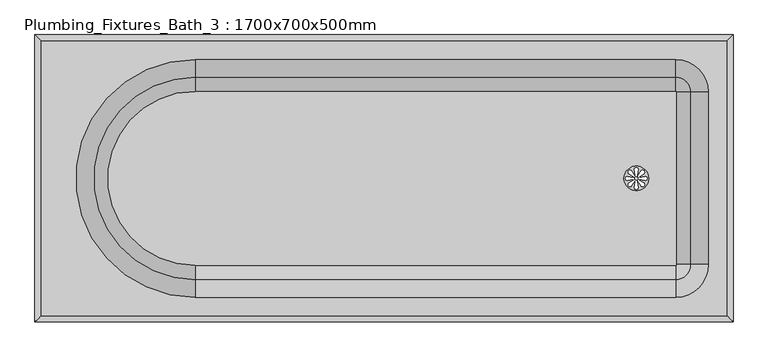
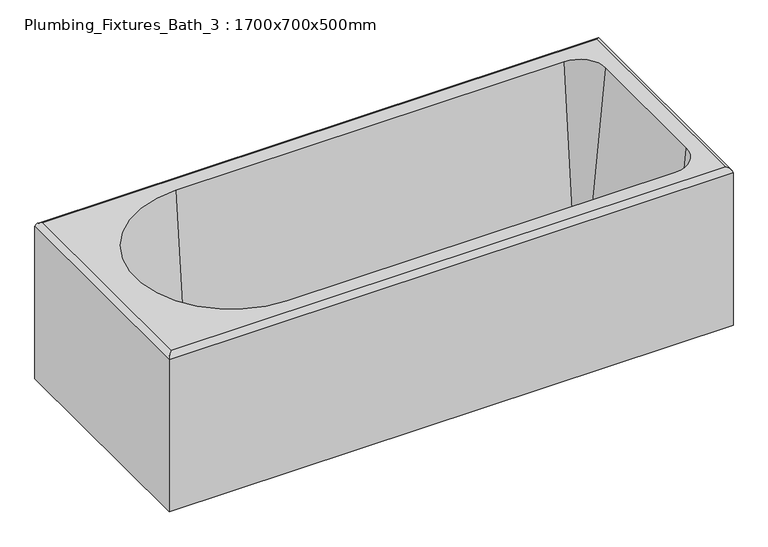
"""IFC4 building model written with IfcOpenShell, lengths in millimetres: flow terminal geometry, Plumbing_Fixtures_Bath_3 : 1700x700x500mm."""

from ifc_helpers import new_model, si_unit, point, frame, frame_2d, origin, place, context, project, spatial, polyline, circle_curve, ellipse_curve, trimmed, segment, composite_curve, outline, extrude, source, transform, mapped, element, save
from ifc_brep_helpers import plane_surface, cylinder_surface, revolved_surface, advanced_brep


def plumbing_fixtures_bath_3_1700x700x500mm_0418d636(model_context):
    return source(origin(), model_context, "Body", "SolidModel", [
        extrude(outline(composite_curve([segment(trimmed(circle_curve(frame_2d((614.3337909, 0.0)), 30.0), [point((584.3337909, 0.0))], [point((644.3337909, 0.0))], False, "CARTESIAN"), True, "CONTINUOUS"), segment(trimmed(circle_curve(frame_2d((614.3337909, 0.0)), 30.0), [point((644.3337909, 0.0))], [point((584.3337909, 0.0))], False, "CARTESIAN"), True, "CONTINUOUS")], self_intersect=False), holes=[composite_curve([segment(polyline([(616.2899925, 7.2242832), (619.3164563, 21.5301417)]), True, "CONTINUOUS"), segment(trimmed(circle_curve(frame_2d((614.3337909, 21.5301417)), 4.9826653), [point((619.3164563, 21.5301417))], [point((609.3511256, 21.5301417))], True, "CARTESIAN"), True, "CONTINUOUS"), segment(polyline([(609.3511256, 21.5301417), (612.1902324, 7.2242832)]), True, "CONTINUOUS"), segment(trimmed(circle_curve(frame_2d((614.2401124, 7.2242832)), 2.0498801), [point((612.1902324, 7.2242832))], [point((616.2899925, 7.2242832))], True, "CARTESIAN"), True, "CONTINUOUS")], self_intersect=False), composite_curve([segment(trimmed(circle_curve(frame_2d((614.2401124, -7.2242832)), 2.0498801), [point((616.2899925, -7.2242832))], [point((612.1902324, -7.2242832))], True, "CARTESIAN"), True, "CONTINUOUS"), segment(polyline([(612.1902324, -7.2242832), (609.3511256, -21.5301417)]), True, "CONTINUOUS"), segment(trimmed(circle_curve(frame_2d((614.3337909, -21.5301417)), 4.9826653), [point((609.3511256, -21.5301417))], [point((619.3164563, -21.5301417))], True, "CARTESIAN"), True, "CONTINUOUS"), segment(polyline([(619.3164563, -21.5301417), (616.2899925, -7.2242832)]), True, "CONTINUOUS")], self_intersect=False), composite_curve([segment(polyline([(607.1095077, 1.9562016), (592.8036493, 4.9826653)]), True, "CONTINUOUS"), segment(trimmed(circle_curve(frame_2d((592.8036493, 0.0)), 4.9826653), [point((592.8036493, 4.9826653))], [point((592.8036493, -4.9826653))], True, "CARTESIAN"), True, "CONTINUOUS"), segment(polyline([(592.8036493, -4.9826653), (607.1095077, -2.1435586)]), True, "CONTINUOUS"), segment(trimmed(circle_curve(frame_2d((607.1095077, -0.0936785)), 2.0498801), [point((607.1095077, -2.1435586))], [point((607.1095077, 1.9562016))], True, "CARTESIAN"), True, "CONTINUOUS")], self_intersect=False), composite_curve([segment(trimmed(circle_curve(frame_2d((621.5580742, -0.0936785)), 2.0498801), [point((621.5580742, 1.9562016))], [point((621.5580742, -2.1435586))], True, "CARTESIAN"), True, "CONTINUOUS"), segment(polyline([(621.5580742, -2.1435586), (635.8639326, -4.9826653)]), True, "CONTINUOUS"), segment(trimmed(circle_curve(frame_2d((635.8639326, 0.0)), 4.9826653), [point((635.8639326, -4.9826653))], [point((635.8639326, 4.9826653))], True, "CARTESIAN"), True, "CONTINUOUS"), segment(polyline([(635.8639326, 4.9826653), (621.5580742, 1.9562016)]), True, "CONTINUOUS")], self_intersect=False), composite_curve([segment(polyline([(610.6086947, 6.4915831), (602.6329582, 18.7473856)]), True, "CONTINUOUS"), segment(trimmed(circle_curve(frame_2d((599.1096818, 15.2241092)), 4.9826653), [point((602.6329582, 18.7473856))], [point((595.5864053, 11.7008327))], True, "CARTESIAN"), True, "CONTINUOUS"), segment(polyline([(595.5864053, 11.7008327), (607.7097265, 3.5926149)]), True, "CONTINUOUS"), segment(trimmed(circle_curve(frame_2d((609.1592106, 5.042099)), 2.0498801), [point((607.7097265, 3.5926149))], [point((610.6086947, 6.4915831))], True, "CARTESIAN"), True, "CONTINUOUS")], self_intersect=False), composite_curve([segment(trimmed(circle_curve(frame_2d((619.3758899, -5.1745804)), 2.0498801), [point((620.825374, -3.7250963))], [point((617.9264058, -6.6240645))], True, "CARTESIAN"), True, "CONTINUOUS"), segment(polyline([(617.9264058, -6.6240645), (626.0346237, -18.7473856)]), True, "CONTINUOUS"), segment(trimmed(circle_curve(frame_2d((629.5579001, -15.2241092)), 4.9826653), [point((626.0346237, -18.7473856))], [point((633.0811765, -11.7008327))], True, "CARTESIAN"), True, "CONTINUOUS"), segment(polyline([(633.0811765, -11.7008327), (620.825374, -3.7250963)]), True, "CONTINUOUS")], self_intersect=False), composite_curve([segment(polyline([(607.8422079, -3.7250963), (595.5864053, -11.7008327)]), True, "CONTINUOUS"), segment(trimmed(circle_curve(frame_2d((599.1096818, -15.2241092)), 4.9826653), [point((595.5864053, -11.7008327))], [point((602.6329582, -18.7473856))], True, "CARTESIAN"), True, "CONTINUOUS"), segment(polyline([(602.6329582, -18.7473856), (610.7411761, -6.6240645)]), True, "CONTINUOUS"), segment(trimmed(circle_curve(frame_2d((609.291692, -5.1745804)), 2.0498801), [point((610.7411761, -6.6240645))], [point((607.8422079, -3.7250963))], True, "CARTESIAN"), True, "CONTINUOUS")], self_intersect=False), composite_curve([segment(trimmed(circle_curve(frame_2d((619.5083713, 5.042099)), 2.0498801), [point((618.0588872, 6.4915831))], [point((620.9578554, 3.5926149))], True, "CARTESIAN"), True, "CONTINUOUS"), segment(polyline([(620.9578554, 3.5926149), (633.0811765, 11.7008327)]), True, "CONTINUOUS"), segment(trimmed(circle_curve(frame_2d((629.5579001, 15.2241092)), 4.9826653), [point((633.0811765, 11.7008327))], [point((626.0346237, 18.7473856))], True, "CARTESIAN"), True, "CONTINUOUS"), segment(polyline([(626.0346237, 18.7473856), (618.0588872, 6.4915831)]), True, "CONTINUOUS")], self_intersect=False)]), frame((0.0, 0.0, 10.394083), z_axis=(0.0, 0.0, 1.0), x_axis=(1.0, 0.0, 0.0)), (0.0, 0.0, 1.0), 9.605917),
        advanced_brep(
        [(-460.0, -212.1255814, 20.0), (710.0, -212.1255814, 20.0), (712.1255814, -210.0, 20.0), (712.1255814, 210.0, 20.0), (710.0, 212.1255814, 20.0), (-460.0, 212.1255814, 20.0), (644.3337909, 0.0, 20.0), (584.3337909, 0.0, 20.0), (850.0, 350.0, 0.0), (850.0, -350.0, 0.0), (-850.0, -350.0, 0.0), (-850.0, 350.0, 0.0), (584.3337909, 0.0, 0.0), (644.3337909, 0.0, 0.0), (-850.0, 350.0, 485.0), (850.0, 350.0, 485.0), (-850.0, -350.0, 485.0), (850.0, -350.0, 485.0), (-835.0, 335.0, 500.0), (-835.0, -335.0, 500.0), (835.0, -335.0, 500.0), (835.0, 335.0, 500.0), (710.0, -290.0, 500.0), (-460.0, -290.0, 500.0), (-460.0, 290.0, 500.0), (710.0, 290.0, 500.0), (790.0, 210.0, 500.0), (790.0, -210.0, 500.0), (-460.0, -246.8563387, 53.0168987), (-460.0, 246.8563387, 53.0168987), (710.0, -246.8563387, 53.0168987), (746.8563387, -210.0, 53.0168987), (746.8563387, 210.0, 53.0168987), (710.0, 246.8563387, 53.0168987)],
        [
            (0, 1),
            (1, 2, circle_curve(frame((710.0, -210.0, 20.0), z_axis=(0.0, 0.0, 1.0), x_axis=(0.0, -1.0, 0.0)), 2.1255814)),
            (2, 3),
            (3, 4, circle_curve(frame((710.0, 210.0, 20.0), z_axis=(0.0, 0.0, 1.0), x_axis=(1.0, 0.0, 0.0)), 2.1255814)),
            (4, 5),
            (5, 0, circle_curve(frame((-460.0, 0.0, 20.0), z_axis=(0.0, 0.0, 1.0), x_axis=(0.0, 1.0, 0.0)), 212.1255814)),
            (6, 7, circle_curve(frame((614.3337909, 0.0, 20.0), z_axis=(0.0, 0.0, -1.0), x_axis=(1.0, 0.0, 0.0)), 30.0)),
            (7, 6, circle_curve(frame((614.3337909, 0.0, 20.0), z_axis=(0.0, 0.0, -1.0), x_axis=(1.0, 0.0, 0.0)), 30.0)),
            (8, 9),
            (9, 10),
            (10, 11),
            (11, 8),
            (12, 13, circle_curve(frame((614.3337909, 0.0, 0.0), z_axis=(0.0, 0.0, 1.0), x_axis=(1.0, 0.0, 0.0)), 30.0)),
            (13, 12, circle_curve(frame((614.3337909, 0.0, 0.0), z_axis=(0.0, 0.0, 1.0), x_axis=(1.0, 0.0, 0.0)), 30.0)),
            (11, 14),
            (14, 15),
            (15, 8),
            (10, 16),
            (16, 14),
            (9, 17),
            (17, 16),
            (15, 17),
            (18, 19),
            (19, 20),
            (20, 21),
            (21, 18),
            (22, 23),
            (23, 24, circle_curve(frame((-460.0, 0.0, 500.0), z_axis=(0.0, 0.0, -1.0), x_axis=(0.0, 1.0, 0.0)), 290.0)),
            (24, 25),
            (25, 26, circle_curve(frame((710.0, 210.0, 500.0), z_axis=(0.0, 0.0, -1.0), x_axis=(1.0, 0.0, 0.0)), 80.0)),
            (26, 27),
            (27, 22, circle_curve(frame((710.0, -210.0, 500.0), z_axis=(0.0, 0.0, -1.0), x_axis=(0.0, -1.0, 0.0)), 80.0)),
            (28, 29, circle_curve(frame((-460.0, 0.0, 53.0168987), z_axis=(0.0, 0.0, -1.0), x_axis=(0.0, 1.0, 0.0)), 246.8563387)),
            (29, 24),
            (23, 28),
            (28, 0, circle_curve(frame((-460.0, -208.6991388, 58.3795434), z_axis=(1.0, 0.0, 0.0), x_axis=(0.0, 1.0, 0.0)), 38.5321925)),
            (5, 29, circle_curve(frame((-460.0, 208.6991388, 58.3795434), z_axis=(1.0, 0.0, 0.0), x_axis=(0.0, -1.0, 0.0)), 38.5321925)),
            (22, 30),
            (30, 28),
            (30, 1, circle_curve(frame((710.0, -208.6991388, 58.3795434), z_axis=(1.0, 0.0, 0.0), x_axis=(0.0, 1.0, 0.0)), 38.5321925)),
            (27, 31),
            (31, 30, circle_curve(frame((710.0, -210.0, 53.0168987), z_axis=(0.0, 0.0, -1.0), x_axis=(0.0, -1.0, 0.0)), 36.8563387)),
            (31, 2, circle_curve(frame((708.6991388, -210.0, 58.3795434), z_axis=(0.0, 1.0, 0.0), x_axis=(-1.0, 0.0, 0.0)), 38.5321925)),
            (26, 32),
            (32, 31),
            (32, 3, circle_curve(frame((708.6991388, 210.0, 58.3795434), z_axis=(0.0, 1.0, 0.0), x_axis=(-1.0, 0.0, 0.0)), 38.5321925)),
            (25, 33),
            (33, 32, circle_curve(frame((710.0, 210.0, 53.0168987), z_axis=(0.0, 0.0, -1.0), x_axis=(1.0, 0.0, 0.0)), 36.8563387)),
            (33, 4, circle_curve(frame((710.0, 208.6991388, 58.3795434), z_axis=(-1.0, 0.0, 0.0), x_axis=(0.0, -1.0, 0.0)), 38.5321925)),
            (29, 33),
            (12, 7),
            (6, 13),
            (16, 19, ellipse_curve(frame((-835.0, -335.0, 485.0), z_axis=(-0.7071067811865476, 0.7071067811865474, 0.0), x_axis=(-0.7071067811865474, -0.7071067811865477, 0.0)), 21.2132034, 15.0)),
            (18, 14, ellipse_curve(frame((-835.0, 335.0, 485.0), z_axis=(-0.7071067811865475, -0.7071067811865476, 0.0), x_axis=(0.7071067811865475, -0.7071067811865475, 0.0)), 21.2132034, 15.0)),
            (17, 20, ellipse_curve(frame((835.0, -335.0, 485.0), z_axis=(-0.7071067811865475, -0.7071067811865476, 0.0), x_axis=(0.7071067811865475, -0.7071067811865475, 0.0)), 21.2132034, 15.0)),
            (15, 21, ellipse_curve(frame((835.0, 335.0, 485.0), z_axis=(0.7071067811865476, -0.7071067811865475, 0.0), x_axis=(0.7071067811865475, 0.7071067811865475, 0.0)), 21.2132034, 15.0)),
        ],
        [
            plane_surface(frame((-850.0, 350.0, 20.0), z_axis=(0.0, 0.0, 1.0), x_axis=(-1.0, 0.0, 0.0))),
            plane_surface(frame((-850.0, 350.0, 0.0), z_axis=(0.0, 0.0, -1.0), x_axis=(1.0, 0.0, 0.0))),
            plane_surface(frame((850.0, 350.0, 20.0), z_axis=(0.0, 1.0, 0.0), x_axis=(0.0, 0.0, -1.0))),
            plane_surface(frame((-850.0, 350.0, 20.0), z_axis=(-1.0, 0.0, 0.0), x_axis=(0.0, 0.0, -1.0))),
            plane_surface(frame((-850.0, -350.0, 20.0), z_axis=(0.0, -1.0, 0.0), x_axis=(0.0, 0.0, -1.0))),
            plane_surface(frame((850.0, -350.0, 20.0), z_axis=(1.0, 0.0, 0.0), x_axis=(0.0, 0.0, -1.0))),
            plane_surface(frame((-850.0, 350.0, 500.0), z_axis=(0.0, 0.0, 1.0), x_axis=(-1.0, 0.0, 0.0))),
            revolved_surface(polyline([(-460.0, 290.0, 500.0), (-460.0, 246.8563387, 53.0168987)]), (-460.0, 0.0, 0.0), (0.0, 0.0, 1.0)),
            revolved_surface(trimmed(ellipse_curve(frame((-460.0, 208.6991388, 58.3795434), z_axis=(-1.0, 0.0, 0.0), x_axis=(0.0, -1.0, 0.0)), 38.5321925, 38.5321925), [point((-460.0, 246.8563387, 53.0168987))], [point((-460.0, 212.1255814, 20.0))], True, "CARTESIAN"), (-460.0, 0.0, 0.0), (0.0, 0.0, 1.0)),
            plane_surface(frame((-460.0, -290.0, 500.0), z_axis=(0.0, 0.9953740588749083, 0.09607540225724044), x_axis=(1.0, 0.0, 0.0))),
            revolved_surface(polyline([(710.0, -170.16694629999998, 58.3795434), (-460.0, -170.16694629999998, 58.3795434)]), (-460.0, -208.6991388, 58.3795434), (1.0, 0.0, 0.0)),
            revolved_surface(polyline([(710.0, -290.0, 500.0), (710.0, -246.8563387, 53.0168987)]), (710.0, -210.0, 0.0), (0.0, 0.0, 1.0)),
            revolved_surface(trimmed(ellipse_curve(frame((710.0, -208.6991388, 58.3795434), z_axis=(1.0, 0.0, 0.0), x_axis=(0.0, 1.0, 0.0)), 38.5321925, 38.5321925), [point((710.0, -246.8563387, 53.0168987))], [point((710.0, -212.1255814, 20.0))], True, "CARTESIAN"), (710.0, -210.0, 0.0), (0.0, 0.0, 1.0)),
            plane_surface(frame((790.0, -210.0, 500.0), z_axis=(-0.9953740588749083, 0.0, 0.09607540225724044), x_axis=(0.0, 1.0, 0.0))),
            revolved_surface(polyline([(670.1669463000001, 210.0, 58.3795434), (670.1669463000001, -210.0, 58.3795434)]), (708.6991388, -210.0, 58.3795434), (0.0, 1.0, 0.0)),
            revolved_surface(polyline([(790.0, 210.0, 500.0), (746.8563387, 210.0, 53.0168987)]), (710.0, 210.0, 0.0), (0.0, 0.0, 1.0)),
            revolved_surface(trimmed(ellipse_curve(frame((708.6991388, 210.0, 58.3795434), z_axis=(0.0, 1.0, 0.0), x_axis=(-1.0, 0.0, 0.0)), 38.5321925, 38.5321925), [point((746.8563387, 210.0, 53.0168987))], [point((712.1255814, 210.0, 20.0))], True, "CARTESIAN"), (710.0, 210.0, 0.0), (0.0, 0.0, 1.0)),
            plane_surface(frame((710.0, 290.0, 500.0), z_axis=(0.0, -0.9953740588749083, 0.09607540225724044), x_axis=(-1.0, 0.0, 0.0))),
            revolved_surface(polyline([(-460.0, 170.16694629999998, 58.3795434), (710.0, 170.16694629999998, 58.3795434)]), (710.0, 208.6991388, 58.3795434), (-1.0, 0.0, 0.0)),
            revolved_surface(polyline([(644.3337909, 0.0, 20.0), (644.3337909, 0.0, 0.0)]), (614.3337909, 0.0, 0.0), (0.0, 0.0, 1.0)),
            cylinder_surface(frame((-835.0, 350.0, 485.0), z_axis=(0.0, -1.0, 0.0), x_axis=(1.0, 0.0, 0.0)), 15.0),
            cylinder_surface(frame((-850.0, -335.0, 485.0), z_axis=(1.0, 0.0, 0.0), x_axis=(0.0, 1.0, 0.0)), 15.0),
            cylinder_surface(frame((835.0, -350.0, 485.0), z_axis=(0.0, 1.0, 0.0), x_axis=(-1.0, 0.0, 0.0)), 15.0),
            cylinder_surface(frame((850.0, 335.0, 485.0), z_axis=(-1.0, 0.0, 0.0), x_axis=(0.0, -1.0, 0.0)), 15.0),
        ],
        [
            (0, [[1, 2, 3, 4, 5, 6], [7, 8]]),
            (1, [[9, 10, 11, 12], [13, 14]]),
            (2, [[-12, 15, 16, 17]]),
            (3, [[-11, 18, 19, -15]]),
            (4, [[-10, 20, 21, -18]]),
            (5, [[-9, -17, 22, -20]]),
            (6, [[23, 24, 25, 26], [27, 28, 29, 30, 31, 32]]),
            (7, [[33, 34, -28, 35]]),
            (8, [[-33, 36, -6, 37]]),
            (9, [[-35, -27, 38, 39]]),
            (10, [[-36, -39, 40, -1]]),
            (11, [[-38, -32, 41, 42]]),
            (12, [[-40, -42, 43, -2]]),
            (13, [[-41, -31, 44, 45]]),
            (14, [[-43, -45, 46, -3]]),
            (15, [[-44, -30, 47, 48]]),
            (16, [[-46, -48, 49, -4]]),
            (17, [[-34, 50, -47, -29]]),
            (18, [[-37, -5, -49, -50]]),
            (19, [[51, -7, 52, -13]]),
            (19, [[-51, -14, -52, -8]]),
            (20, [[53, -23, 54, -19]]),
            (21, [[-53, -21, 55, -24]]),
            (22, [[-55, -22, 56, -25]]),
            (23, [[-54, -26, -56, -16]]),
        ],
    ),
    ])


if __name__ == "__main__":
    model = new_model("IFC4")
    model_context = context("Model", 3, world=origin())
    ifc_project = project(units=[si_unit("LENGTHUNIT", "METRE", prefix="MILLI")], contexts=[model_context])
    site = spatial("IfcSite", under=ifc_project)
    building = spatial("IfcBuilding", under=site)
    placement = place(None, origin())
    plumbing_fixtures_bath_3_1700x700x500mm_shape = plumbing_fixtures_bath_3_1700x700x500mm_0418d636(model_context)
    element("IfcFlowTerminal", 1, ObjectType="Plumbing_Fixtures_Bath_3 : 1700x700x500mm", at=placement, inside=building, context=model_context, shape_type="MappedRepresentation", body=[
        mapped(plumbing_fixtures_bath_3_1700x700x500mm_shape, transform((0.0, 0.0, 0.0), x_axis=(1.0, 0.0, 0.0), y_axis=(0.0, 1.0, 0.0), z_axis=(0.0, 0.0, 1.0))),
    ])
    save(model, "model.ifc")
